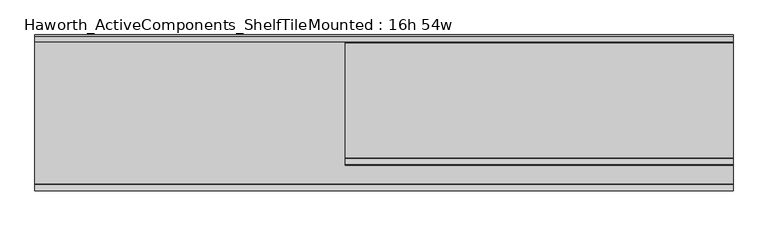
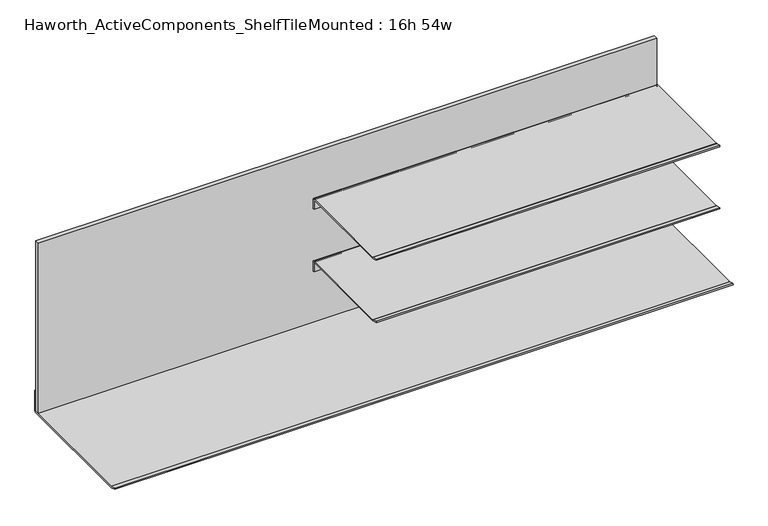
"""IFC4 building model written with IfcOpenShell, lengths in millimetres: furniture geometry, Haworth_ActiveComponents_ShelfTileMounted : 16h 54w."""

from ifc_helpers import new_model, si_unit, point, frame, frame_2d, origin, place, context, project, spatial, polyline, circle_curve, trimmed, segment, composite_curve, outline, extrude, source, transform, mapped, element, save


def haworth_activecomponents_shelftilemounted_16h_54w_3dfe3222(model_context):
    return source(origin(), model_context, "Body", "SweptSolid", [
        extrude(outline(composite_curve([segment(polyline([(-1314.0921863, 734.7747869), (-1313.4018975, 737.3509066), (-1301.2394379, 734.0919868)]), True, "CONTINUOUS"), segment(trimmed(circle_curve(frame_2d((-1300.4176878, 737.1588014)), 3.175), [point((-1301.2394379, 734.0919868))], [point((-1300.4176878, 733.9838014))], True, "CARTESIAN"), True, "CONTINUOUS"), segment(polyline([(-1300.4176878, 733.9838014), (-1074.325211, 733.9838014)]), True, "CONTINUOUS"), segment(trimmed(circle_curve(frame_2d((-1074.325211, 730.9985118)), 2.9852896), [point((-1074.325211, 733.9838014))], [point((-1071.3399214, 730.9985118))], False, "CARTESIAN"), True, "CONTINUOUS"), segment(polyline([(-1071.3399214, 730.9985118), (-1071.3399214, 708.5837984), (-1074.2058961, 708.5837984), (-1074.2058961, 730.3073917)]), True, "CONTINUOUS"), segment(trimmed(circle_curve(frame_2d((-1075.2153083, 730.3073917)), 1.0094122), [point((-1074.2058961, 730.3073917))], [point((-1075.2153083, 731.316804))], True, "CARTESIAN"), True, "CONTINUOUS"), segment(polyline([(-1075.2153083, 731.316804), (-1300.768816, 731.316804)]), True, "CONTINUOUS"), segment(trimmed(circle_curve(frame_2d((-1300.768816, 734.491804)), 3.175), [point((-1300.768816, 731.316804))], [point((-1301.5905661, 731.4249894))], False, "CARTESIAN"), True, "CONTINUOUS"), segment(polyline([(-1301.5905661, 731.4249894), (-1314.0921863, 734.7747869)]), True, "CONTINUOUS")], self_intersect=False)), frame((-1727.146931, 0.0, 0.0), z_axis=(1.0, 0.0, 0.0), x_axis=(0.0, 1.0, 0.0)), (0.0, 0.0, 1.0), 762.0),
        extrude(outline(composite_curve([segment(polyline([(-1314.0921863, 881.0787943), (-1313.4018975, 883.654914), (-1301.2394379, 880.3959943)]), True, "CONTINUOUS"), segment(trimmed(circle_curve(frame_2d((-1300.4176878, 883.4628089)), 3.175), [point((-1301.2394379, 880.3959943))], [point((-1300.4176878, 880.2878089))], True, "CARTESIAN"), True, "CONTINUOUS"), segment(polyline([(-1300.4176878, 880.2878089), (-1074.325211, 880.2878089)]), True, "CONTINUOUS"), segment(trimmed(circle_curve(frame_2d((-1074.325211, 877.3025192)), 2.9852896), [point((-1074.325211, 880.2878089))], [point((-1071.3399214, 877.3025192))], False, "CARTESIAN"), True, "CONTINUOUS"), segment(polyline([(-1071.3399214, 877.3025192), (-1071.3399214, 854.8878058), (-1074.2058961, 854.8878058), (-1074.2058961, 876.6113992)]), True, "CONTINUOUS"), segment(trimmed(circle_curve(frame_2d((-1075.2153083, 876.6113992)), 1.0094122), [point((-1074.2058961, 876.6113992))], [point((-1075.2153083, 877.6208114))], True, "CARTESIAN"), True, "CONTINUOUS"), segment(polyline([(-1075.2153083, 877.6208114), (-1300.768816, 877.6208114)]), True, "CONTINUOUS"), segment(trimmed(circle_curve(frame_2d((-1300.768816, 880.7958114)), 3.175), [point((-1300.768816, 877.6208114))], [point((-1301.5905661, 877.7289968))], False, "CARTESIAN"), True, "CONTINUOUS"), segment(polyline([(-1301.5905661, 877.7289968), (-1314.0921863, 881.0787943)]), True, "CONTINUOUS")], self_intersect=False)), frame((-1727.146931, 0.0, 0.0), z_axis=(1.0, 0.0, 0.0), x_axis=(0.0, 1.0, 0.0)), (0.0, 0.0, 1.0), 762.0),
        extrude(outline(polyline([(-2336.746931, -1071.3399214), (-2336.746931, -1061.814921), (-965.146931, -1061.814921), (-965.146931, -1071.3399214), (-2336.746931, -1071.3399214)])), frame((0.0, 0.0, 588.8989999), z_axis=(0.0, 0.0, 1.0), x_axis=(1.0, 0.0, 0.0)), (0.0, 0.0, 1.0), 398.6529995),
        extrude(outline(composite_curve([segment(polyline([(-1061.0529213, 584.2), (-1351.0608317, 584.2)]), True, "CONTINUOUS"), segment(trimmed(circle_curve(frame_2d((-1351.0608317, 587.375)), 3.175), [point((-1351.0608317, 584.2))], [point((-1351.8825846, 584.3081862))], False, "CARTESIAN"), True, "CONTINUOUS"), segment(polyline([(-1351.8825846, 584.3081862), (-1364.3841902, 587.6579801), (-1363.6939146, 590.2341249), (-1351.7011481, 587.020674)]), True, "CONTINUOUS"), segment(trimmed(circle_curve(frame_2d((-1350.8794014, 590.0874913)), 3.1750017), [point((-1351.7011481, 587.020674))], [point((-1350.8794014, 586.9124896))], True, "CARTESIAN"), True, "CONTINUOUS"), segment(polyline([(-1350.8794014, 586.9124896), (-1061.5371086, 586.9124896)]), True, "CONTINUOUS"), segment(trimmed(circle_curve(frame_2d((-1061.5371086, 587.9046771)), 0.9921875), [point((-1061.5371086, 586.9124896))], [point((-1060.5449211, 587.9046771))], True, "CARTESIAN"), True, "CONTINUOUS"), segment(polyline([(-1060.5449211, 587.9046771), (-1060.5449211, 634.6189999), (-1057.8779213, 634.6189999), (-1057.8779213, 587.375)]), True, "CONTINUOUS"), segment(trimmed(circle_curve(frame_2d((-1061.0529213, 587.375)), 3.175), [point((-1057.8779213, 587.375))], [point((-1061.0529213, 584.2))], False, "CARTESIAN"), True, "CONTINUOUS")], self_intersect=False)), frame((-2336.746931, 0.0, 0.0), z_axis=(1.0, 0.0, 0.0), x_axis=(0.0, 1.0, 0.0)), (0.0, 0.0, 1.0), 1371.6),
    ])


if __name__ == "__main__":
    model = new_model("IFC4")
    model_context = context("Model", 3, world=origin())
    ifc_project = project(units=[si_unit("LENGTHUNIT", "METRE", prefix="MILLI")], contexts=[model_context])
    site = spatial("IfcSite", under=ifc_project)
    building = spatial("IfcBuilding", under=site)
    placement = place(None, origin())
    haworth_activecomponents_shelftilemounted_16h_54w_shape = haworth_activecomponents_shelftilemounted_16h_54w_3dfe3222(model_context)
    element("IfcFurniture", 1, ObjectType="Haworth_ActiveComponents_ShelfTileMounted : 16h 54w", at=placement, inside=building, context=model_context, shape_type="MappedRepresentation", body=[
        mapped(haworth_activecomponents_shelftilemounted_16h_54w_shape, transform((0.0, 0.0, 0.0), x_axis=(1.0, 0.0, 0.0), y_axis=(0.0, 1.0, 0.0), z_axis=(0.0, 0.0, 1.0))),
    ])
    save(model, "model.ifc")
